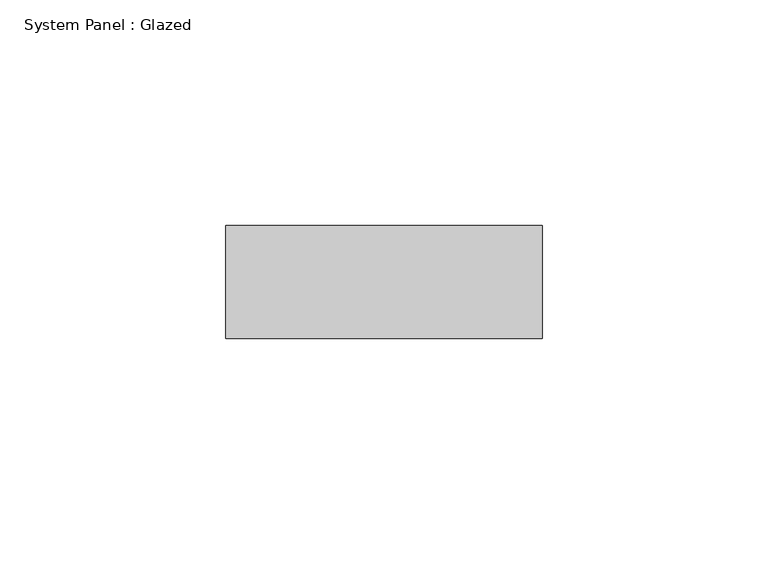
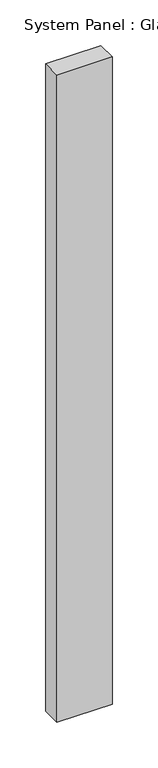
"""IFC4 building model written with IfcOpenShell, lengths in millimetres: plate geometry, System Panel : Glazed."""

import ifcopenshell
import ifcopenshell.guid

model = None  # the IFC model being written
_history = None  # IfcOwnerHistory: only IFC2X3 demands one
_inside = {}  # id of a spatial element -> (the spatial element, [elements in it])
_under = {}  # id of a project, library or spatial element -> (it, [spatial elements below it])
_declared = {}  # id of a project -> (the project, [libraries it declares])
_typed = {}  # id of a type object -> (the type object, [elements of that type])
_made_of = {}  # id of a material, layer set ... -> (it, [elements and type objects made of it])


def new_model(schema):
    """Start an empty IFC model of exactly this schema.

    Asked for "IFC4X3", IfcOpenShell would pick the latest addendum, in which some entities
    have other attributes; the version numbers below select the first issue.
    IFC2X3 requires an IfcOwnerHistory on every rooted entity: one is made here for all.
    """
    global model, _history
    if schema == "IFC4X3":
        model = ifcopenshell.file(schema_version=(4, 3, 0, 0))
    else:
        model = ifcopenshell.file(schema=schema)
    _inside.clear()
    _under.clear()
    _declared.clear()
    _typed.clear()
    _made_of.clear()
    _history = None
    if model.schema == "IFC2X3":
        org = make("IfcOrganization", Name="unknown")
        user = make(
            "IfcPersonAndOrganization",
            ThePerson=make("IfcPerson", FamilyName="unknown"),
            TheOrganization=org,
        )
        app = make(
            "IfcApplication",
            ApplicationDeveloper=org,
            Version="unknown",
            ApplicationFullName="unknown",
            ApplicationIdentifier="unknown",
        )
        _history = make(
            "IfcOwnerHistory",
            OwningUser=user,
            OwningApplication=app,
            ChangeAction="ADDED",
            CreationDate=0,
        )
    return model


def make(cls, **values):
    """One entity of the class cls with the attributes given. An attribute that is None is left unset."""
    return model.create_entity(
        cls, **{name: value for name, value in values.items() if value is not None}
    )


def rooted(cls, **values):
    """An entity with a GlobalId (a new one), such as an element, a storey or a relation."""
    return make(cls, GlobalId=ifcopenshell.guid.new(), OwnerHistory=_history, **values)


def si_unit(unit_type, name, prefix=None):
    """IfcSIUnit, for example si_unit("LENGTHUNIT", "METRE", prefix="MILLI")."""
    return make("IfcSIUnit", UnitType=unit_type, Prefix=prefix, Name=name)


def assignment(units):
    """IfcUnitAssignment: the units of a project."""
    return None if units is None else make("IfcUnitAssignment", Units=units)


def point(xyz):
    """IfcCartesianPoint."""
    return None if xyz is None else make("IfcCartesianPoint", Coordinates=xyz)


def direction(xyz):
    """IfcDirection."""
    return None if xyz is None else make("IfcDirection", DirectionRatios=xyz)


def frame(location, z_axis=None, x_axis=None):
    """IfcAxis2Placement3D, a coordinate frame: its origin and axes. An axis left out is left unset."""
    return make(
        "IfcAxis2Placement3D",
        Location=point(location),
        Axis=direction(z_axis),
        RefDirection=direction(x_axis),
    )


def origin():
    """The frame at (0, 0, 0) with its axes left unset."""
    return frame((0.0, 0.0, 0.0))


def origin_with_axes():
    """The frame at (0, 0, 0) with the z axis (0, 0, 1) and the x axis (1, 0, 0) written out."""
    return frame((0.0, 0.0, 0.0), z_axis=(0.0, 0.0, 1.0), x_axis=(1.0, 0.0, 0.0))


def place(relative_to, where):
    """IfcLocalPlacement: puts the frame where relative to a parent placement (None: the world)."""
    return make(
        "IfcLocalPlacement", PlacementRelTo=relative_to, RelativePlacement=where
    )


def context(
    kind, dimensions, precision=None, world=None, true_north=None, identifier=None
):
    """IfcGeometricRepresentationContext, for example the 3D "Model" context."""
    return make(
        "IfcGeometricRepresentationContext",
        ContextIdentifier=identifier,
        ContextType=kind,
        CoordinateSpaceDimension=dimensions,
        Precision=precision,
        WorldCoordinateSystem=world,
        TrueNorth=true_north,
    )


def project(units=None, contexts=None):
    """IfcProject with its units and contexts."""
    return rooted(
        "IfcProject",
        Name="project",
        RepresentationContexts=contexts,
        UnitsInContext=assignment(units),
    )


def spatial(cls, under=None, at=None, **own):
    """A site, building, storey or space (cls), placed at a placement, below another one or the project."""
    s = rooted(cls, ObjectPlacement=at, **own)
    if under is not None:
        _under.setdefault(under.id(), (under, []))[1].append(s)
    return s


def polyline(points):
    """IfcPolyline through the points."""
    return make("IfcPolyline", Points=[point(p) for p in points])


def outline(outer, holes=None, kind="AREA"):
    """IfcArbitraryClosedProfileDef: a profile drawn as a closed curve; with holes, ...WithVoids."""
    if holes is None:
        return make("IfcArbitraryClosedProfileDef", ProfileType=kind, OuterCurve=outer)
    return make(
        "IfcArbitraryProfileDefWithVoids",
        ProfileType=kind,
        OuterCurve=outer,
        InnerCurves=holes,
    )


def extrude(swept, where, along, depth):
    """IfcExtrudedAreaSolid: the profile swept, set in the frame where, extruded along a direction by depth."""
    return make(
        "IfcExtrudedAreaSolid",
        SweptArea=swept,
        Position=where,
        ExtrudedDirection=direction(along),
        Depth=depth,
    )


def shape(context_of_items, identifier, shape_type, items):
    """IfcShapeRepresentation: the items that make up one representation, for example the "Body"."""
    return make(
        "IfcShapeRepresentation",
        ContextOfItems=context_of_items,
        RepresentationIdentifier=identifier,
        RepresentationType=shape_type,
        Items=items,
    )


def source(mapping_origin, context_of_items, identifier, shape_type, items):
    """IfcRepresentationMap: a shape defined once, which mapped items show again and again."""
    return make(
        "IfcRepresentationMap",
        MappingOrigin=mapping_origin,
        MappedRepresentation=shape(context_of_items, identifier, shape_type, items),
    )


def transform(
    local_origin,
    x_axis=None,
    y_axis=None,
    z_axis=None,
    scale=None,
    scale2=None,
    scale3=None,
    uniform=True,
):
    """IfcCartesianTransformationOperator3D, or its non-uniform kind. x_axis, y_axis, z_axis: its Axis1, 2, 3."""
    if uniform:
        return make(
            "IfcCartesianTransformationOperator3D",
            Axis1=direction(x_axis),
            Axis2=direction(y_axis),
            LocalOrigin=point(local_origin),
            Scale=scale,
            Axis3=direction(z_axis),
        )
    return make(
        "IfcCartesianTransformationOperator3DnonUniform",
        Axis1=direction(x_axis),
        Axis2=direction(y_axis),
        LocalOrigin=point(local_origin),
        Scale=scale,
        Axis3=direction(z_axis),
        Scale2=scale2,
        Scale3=scale3,
    )


def mapped(mapping_source, mapping_target):
    """IfcMappedItem: shows the shape of a source again, moved by a transform."""
    return make(
        "IfcMappedItem", MappingSource=mapping_source, MappingTarget=mapping_target
    )


def made_of(thing, what):
    """Note that an element or type object is made of a material, layer set ...; save() writes the relation."""
    if what is not None:
        _made_of.setdefault(what.id(), (what, []))[1].append(thing)
    return thing


def element(
    cls,
    number,
    at=None,
    inside=None,
    cuts=None,
    type_object=None,
    material=None,
    context=None,
    identifier="Body",
    shape_type=None,
    held_by="IfcProductDefinitionShape",
    body=None,
    shapes=None,
    **own,
):
    """One element of the class cls, such as IfcWall. Its Tag is "e" and its number.

    at: its placement. inside: the storey or other place that contains it. cuts: it is an
    opening in that element (IfcRelVoidsElement). A single representation is given by context,
    identifier, shape_type and body (its items); several are given by shapes. held_by: the class
    of the entity that holds the representations. save() writes the other relations.
    """
    e = rooted(cls, Tag="e%d" % number, ObjectPlacement=at, **own)
    if body is not None:
        shapes = [shape(context, identifier, shape_type, body)]
    if shapes is not None:
        e.Representation = make(held_by, Representations=shapes)
    if inside is not None:
        _inside.setdefault(inside.id(), (inside, []))[1].append(e)
    if cuts is not None:
        rooted(
            "IfcRelVoidsElement", RelatingBuildingElement=cuts, RelatedOpeningElement=e
        )
    if type_object is not None:
        _typed.setdefault(type_object.id(), (type_object, []))[1].append(e)
    return made_of(e, material)


def aggregate(whole, parts):
    """IfcRelAggregates: a whole, such as a stair, and the parts it consists of."""
    return rooted("IfcRelAggregates", RelatingObject=whole, RelatedObjects=parts)


def save(model, path):
    """Write the relations noted so far, then the file.

    IfcRelAggregates (storeys below a building ...), IfcRelContainedInSpatialStructure (elements
    in a storey), IfcRelDefinesByType, IfcRelAssociatesMaterial and IfcRelDeclares: one each for
    every whole, place, type object, material and project.
    """
    for whole, parts in _under.values():
        aggregate(whole, parts)
    for where, things in _inside.values():
        rooted(
            "IfcRelContainedInSpatialStructure",
            RelatedElements=things,
            RelatingStructure=where,
        )
    for kind, things in _typed.values():
        rooted("IfcRelDefinesByType", RelatedObjects=things, RelatingType=kind)
    for what, things in _made_of.values():
        rooted("IfcRelAssociatesMaterial", RelatedObjects=things, RelatingMaterial=what)
    for by, libraries in _declared.values():
        rooted("IfcRelDeclares", RelatingContext=by, RelatedDefinitions=libraries)
    model.write(path)


def system_panel_glazed_e2df64f8(model_context):
    return source(origin(), model_context, "Body", "SweptSolid", [
        extrude(outline(polyline([(35.0, -49.5), (-35.0, -49.5), (-35.0, -24.5), (35.0, -24.5), (35.0, -49.5)])), origin_with_axes(), (0.0, 0.0, 1.0), 868.3333333),
    ])


if __name__ == "__main__":
    model = new_model("IFC4")
    model_context = context("Model", 3, world=origin())
    ifc_project = project(units=[si_unit("LENGTHUNIT", "METRE", prefix="MILLI")], contexts=[model_context])
    site = spatial("IfcSite", under=ifc_project)
    building = spatial("IfcBuilding", under=site)
    placement = place(None, origin())
    system_panel_glazed_shape = system_panel_glazed_e2df64f8(model_context)
    element("IfcPlate", 1, ObjectType="System Panel : Glazed", at=placement, inside=building, context=model_context, shape_type="MappedRepresentation", body=[
        mapped(system_panel_glazed_shape, transform((0.0, 0.0, 0.0), x_axis=(1.0, 0.0, 0.0), y_axis=(0.0, 1.0, 0.0), z_axis=(0.0, 0.0, 1.0))),
    ])
    save(model, "model.ifc")
